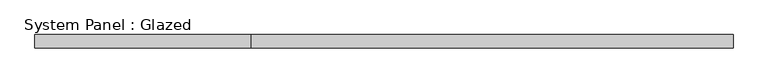
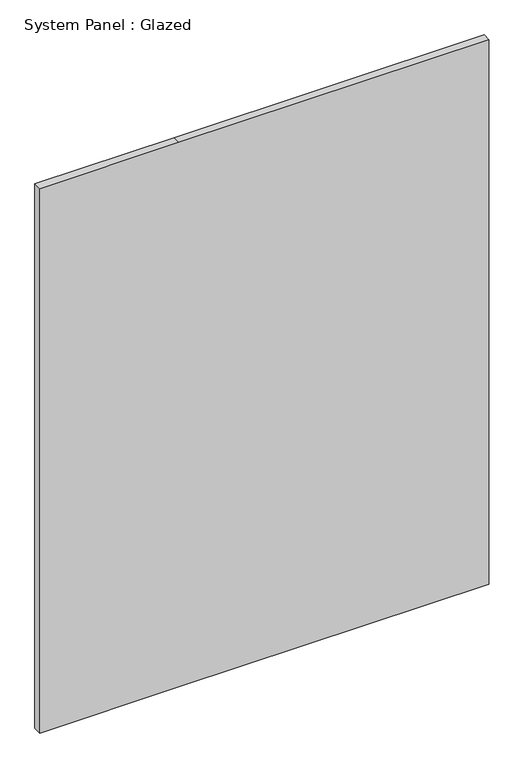
"""IFC4 building model written with IfcOpenShell, lengths in millimetres: plate geometry, System Panel : Glazed."""

import ifcopenshell
import ifcopenshell.guid

model = None  # the IFC model being written
_history = None  # IfcOwnerHistory: only IFC2X3 demands one
_inside = {}  # id of a spatial element -> (the spatial element, [elements in it])
_under = {}  # id of a project, library or spatial element -> (it, [spatial elements below it])
_declared = {}  # id of a project -> (the project, [libraries it declares])
_typed = {}  # id of a type object -> (the type object, [elements of that type])
_made_of = {}  # id of a material, layer set ... -> (it, [elements and type objects made of it])


def new_model(schema):
    """Start an empty IFC model of exactly this schema.

    Asked for "IFC4X3", IfcOpenShell would pick the latest addendum, in which some entities
    have other attributes; the version numbers below select the first issue.
    IFC2X3 requires an IfcOwnerHistory on every rooted entity: one is made here for all.
    """
    global model, _history
    if schema == "IFC4X3":
        model = ifcopenshell.file(schema_version=(4, 3, 0, 0))
    else:
        model = ifcopenshell.file(schema=schema)
    _inside.clear()
    _under.clear()
    _declared.clear()
    _typed.clear()
    _made_of.clear()
    _history = None
    if model.schema == "IFC2X3":
        org = make("IfcOrganization", Name="unknown")
        user = make(
            "IfcPersonAndOrganization",
            ThePerson=make("IfcPerson", FamilyName="unknown"),
            TheOrganization=org,
        )
        app = make(
            "IfcApplication",
            ApplicationDeveloper=org,
            Version="unknown",
            ApplicationFullName="unknown",
            ApplicationIdentifier="unknown",
        )
        _history = make(
            "IfcOwnerHistory",
            OwningUser=user,
            OwningApplication=app,
            ChangeAction="ADDED",
            CreationDate=0,
        )
    return model


def make(cls, **values):
    """One entity of the class cls with the attributes given. An attribute that is None is left unset."""
    return model.create_entity(
        cls, **{name: value for name, value in values.items() if value is not None}
    )


def rooted(cls, **values):
    """An entity with a GlobalId (a new one), such as an element, a storey or a relation."""
    return make(cls, GlobalId=ifcopenshell.guid.new(), OwnerHistory=_history, **values)


def si_unit(unit_type, name, prefix=None):
    """IfcSIUnit, for example si_unit("LENGTHUNIT", "METRE", prefix="MILLI")."""
    return make("IfcSIUnit", UnitType=unit_type, Prefix=prefix, Name=name)


def assignment(units):
    """IfcUnitAssignment: the units of a project."""
    return None if units is None else make("IfcUnitAssignment", Units=units)


def point(xyz):
    """IfcCartesianPoint."""
    return None if xyz is None else make("IfcCartesianPoint", Coordinates=xyz)


def direction(xyz):
    """IfcDirection."""
    return None if xyz is None else make("IfcDirection", DirectionRatios=xyz)


def frame(location, z_axis=None, x_axis=None):
    """IfcAxis2Placement3D, a coordinate frame: its origin and axes. An axis left out is left unset."""
    return make(
        "IfcAxis2Placement3D",
        Location=point(location),
        Axis=direction(z_axis),
        RefDirection=direction(x_axis),
    )


def origin():
    """The frame at (0, 0, 0) with its axes left unset."""
    return frame((0.0, 0.0, 0.0))


def place(relative_to, where):
    """IfcLocalPlacement: puts the frame where relative to a parent placement (None: the world)."""
    return make(
        "IfcLocalPlacement", PlacementRelTo=relative_to, RelativePlacement=where
    )


def context(
    kind, dimensions, precision=None, world=None, true_north=None, identifier=None
):
    """IfcGeometricRepresentationContext, for example the 3D "Model" context."""
    return make(
        "IfcGeometricRepresentationContext",
        ContextIdentifier=identifier,
        ContextType=kind,
        CoordinateSpaceDimension=dimensions,
        Precision=precision,
        WorldCoordinateSystem=world,
        TrueNorth=true_north,
    )


def project(units=None, contexts=None):
    """IfcProject with its units and contexts."""
    return rooted(
        "IfcProject",
        Name="project",
        RepresentationContexts=contexts,
        UnitsInContext=assignment(units),
    )


def spatial(cls, under=None, at=None, **own):
    """A site, building, storey or space (cls), placed at a placement, below another one or the project."""
    s = rooted(cls, ObjectPlacement=at, **own)
    if under is not None:
        _under.setdefault(under.id(), (under, []))[1].append(s)
    return s


def polyline(points):
    """IfcPolyline through the points."""
    return make("IfcPolyline", Points=[point(p) for p in points])


def outline(outer, holes=None, kind="AREA"):
    """IfcArbitraryClosedProfileDef: a profile drawn as a closed curve; with holes, ...WithVoids."""
    if holes is None:
        return make("IfcArbitraryClosedProfileDef", ProfileType=kind, OuterCurve=outer)
    return make(
        "IfcArbitraryProfileDefWithVoids",
        ProfileType=kind,
        OuterCurve=outer,
        InnerCurves=holes,
    )


def extrude(swept, where, along, depth):
    """IfcExtrudedAreaSolid: the profile swept, set in the frame where, extruded along a direction by depth."""
    return make(
        "IfcExtrudedAreaSolid",
        SweptArea=swept,
        Position=where,
        ExtrudedDirection=direction(along),
        Depth=depth,
    )


def shape(context_of_items, identifier, shape_type, items):
    """IfcShapeRepresentation: the items that make up one representation, for example the "Body"."""
    return make(
        "IfcShapeRepresentation",
        ContextOfItems=context_of_items,
        RepresentationIdentifier=identifier,
        RepresentationType=shape_type,
        Items=items,
    )


def source(mapping_origin, context_of_items, identifier, shape_type, items):
    """IfcRepresentationMap: a shape defined once, which mapped items show again and again."""
    return make(
        "IfcRepresentationMap",
        MappingOrigin=mapping_origin,
        MappedRepresentation=shape(context_of_items, identifier, shape_type, items),
    )


def transform(
    local_origin,
    x_axis=None,
    y_axis=None,
    z_axis=None,
    scale=None,
    scale2=None,
    scale3=None,
    uniform=True,
):
    """IfcCartesianTransformationOperator3D, or its non-uniform kind. x_axis, y_axis, z_axis: its Axis1, 2, 3."""
    if uniform:
        return make(
            "IfcCartesianTransformationOperator3D",
            Axis1=direction(x_axis),
            Axis2=direction(y_axis),
            LocalOrigin=point(local_origin),
            Scale=scale,
            Axis3=direction(z_axis),
        )
    return make(
        "IfcCartesianTransformationOperator3DnonUniform",
        Axis1=direction(x_axis),
        Axis2=direction(y_axis),
        LocalOrigin=point(local_origin),
        Scale=scale,
        Axis3=direction(z_axis),
        Scale2=scale2,
        Scale3=scale3,
    )


def mapped(mapping_source, mapping_target):
    """IfcMappedItem: shows the shape of a source again, moved by a transform."""
    return make(
        "IfcMappedItem", MappingSource=mapping_source, MappingTarget=mapping_target
    )


def made_of(thing, what):
    """Note that an element or type object is made of a material, layer set ...; save() writes the relation."""
    if what is not None:
        _made_of.setdefault(what.id(), (what, []))[1].append(thing)
    return thing


def element(
    cls,
    number,
    at=None,
    inside=None,
    cuts=None,
    type_object=None,
    material=None,
    context=None,
    identifier="Body",
    shape_type=None,
    held_by="IfcProductDefinitionShape",
    body=None,
    shapes=None,
    **own,
):
    """One element of the class cls, such as IfcWall. Its Tag is "e" and its number.

    at: its placement. inside: the storey or other place that contains it. cuts: it is an
    opening in that element (IfcRelVoidsElement). A single representation is given by context,
    identifier, shape_type and body (its items); several are given by shapes. held_by: the class
    of the entity that holds the representations. save() writes the other relations.
    """
    e = rooted(cls, Tag="e%d" % number, ObjectPlacement=at, **own)
    if body is not None:
        shapes = [shape(context, identifier, shape_type, body)]
    if shapes is not None:
        e.Representation = make(held_by, Representations=shapes)
    if inside is not None:
        _inside.setdefault(inside.id(), (inside, []))[1].append(e)
    if cuts is not None:
        rooted(
            "IfcRelVoidsElement", RelatingBuildingElement=cuts, RelatedOpeningElement=e
        )
    if type_object is not None:
        _typed.setdefault(type_object.id(), (type_object, []))[1].append(e)
    return made_of(e, material)


def aggregate(whole, parts):
    """IfcRelAggregates: a whole, such as a stair, and the parts it consists of."""
    return rooted("IfcRelAggregates", RelatingObject=whole, RelatedObjects=parts)


def save(model, path):
    """Write the relations noted so far, then the file.

    IfcRelAggregates (storeys below a building ...), IfcRelContainedInSpatialStructure (elements
    in a storey), IfcRelDefinesByType, IfcRelAssociatesMaterial and IfcRelDeclares: one each for
    every whole, place, type object, material and project.
    """
    for whole, parts in _under.values():
        aggregate(whole, parts)
    for where, things in _inside.values():
        rooted(
            "IfcRelContainedInSpatialStructure",
            RelatedElements=things,
            RelatingStructure=where,
        )
    for kind, things in _typed.values():
        rooted("IfcRelDefinesByType", RelatedObjects=things, RelatingType=kind)
    for what, things in _made_of.values():
        rooted("IfcRelAssociatesMaterial", RelatedObjects=things, RelatingMaterial=what)
    for by, libraries in _declared.values():
        rooted("IfcRelDeclares", RelatingContext=by, RelatedDefinitions=libraries)
    model.write(path)


def system_panel_glazed_1c059595(model_context):
    return source(origin(), model_context, "Body", "SweptSolid", [
        extrude(outline(polyline([(0.0, -676.275), (0.0, -257.175), (0.0, 676.275), (1733.55, 676.275), (1733.55, -257.175), (1733.55, -676.275), (0.0, -676.275)])), frame((0.0, -44.45, 0.0), z_axis=(0.0, 1.0, 0.0), x_axis=(0.0, 0.0, 1.0)), (0.0, 0.0, 1.0), 25.4),
    ])


if __name__ == "__main__":
    model = new_model("IFC4")
    model_context = context("Model", 3, world=origin())
    ifc_project = project(units=[si_unit("LENGTHUNIT", "METRE", prefix="MILLI")], contexts=[model_context])
    site = spatial("IfcSite", under=ifc_project)
    building = spatial("IfcBuilding", under=site)
    placement = place(None, origin())
    system_panel_glazed_shape = system_panel_glazed_1c059595(model_context)
    element("IfcPlate", 1, ObjectType="System Panel : Glazed", at=placement, inside=building, context=model_context, shape_type="MappedRepresentation", body=[
        mapped(system_panel_glazed_shape, transform((0.0, 0.0, 0.0), x_axis=(1.0, 0.0, 0.0), y_axis=(0.0, 1.0, 0.0), z_axis=(0.0, 0.0, 1.0))),
    ])
    save(model, "model.ifc")
